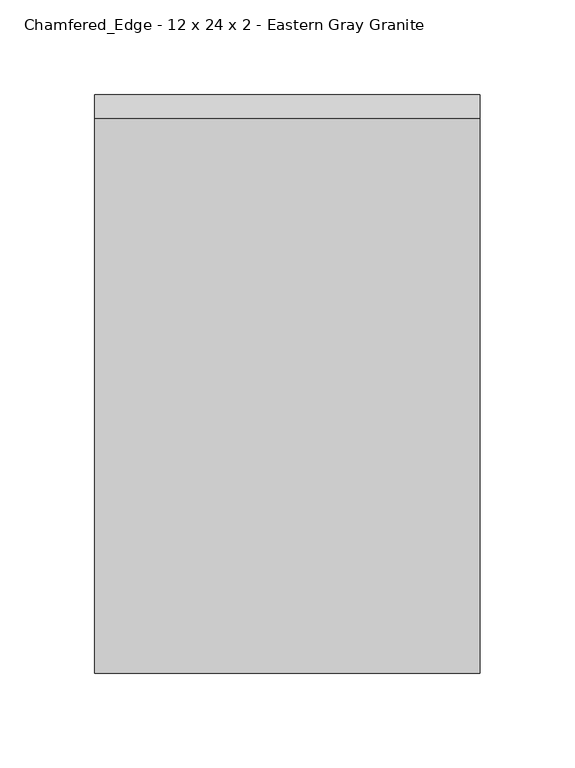
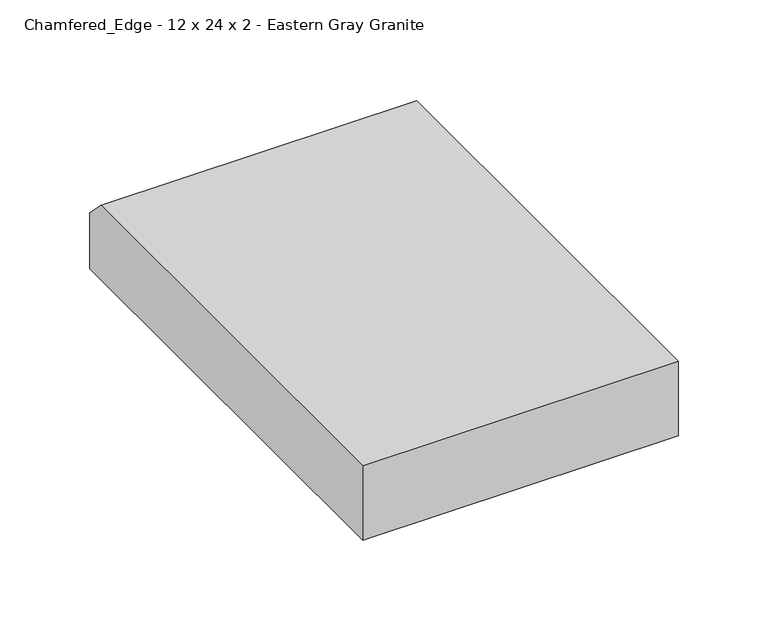
"""IFC4 building model written with IfcOpenShell, lengths in millimetres: proxy geometry, Chamfered_Edge - 12 x 24 x 2 - Eastern Gray Granite."""

from ifc_helpers import new_model, si_unit, frame, origin, place, context, project, spatial, polyline, outline, extrude, source, transform, mapped, element, save


def chamfered_edge_12_x_24_x_2_eastern_gray_granite_2b105257(model_context):
    return source(origin(), model_context, "Body", "SweptSolid", [
        extrude(outline(polyline([(304.8, 0.0), (0.0, 0.0), (0.0, 50.8), (292.1, 50.8), (304.8, 38.1), (304.8, 0.0)])), frame((0.0, 0.0, 0.0), z_axis=(1.0, 0.0, 0.0), x_axis=(0.0, 1.0, 0.0)), (0.0, 0.0, 1.0), 203.2),
    ])


if __name__ == "__main__":
    model = new_model("IFC4")
    model_context = context("Model", 3, world=origin())
    ifc_project = project(units=[si_unit("LENGTHUNIT", "METRE", prefix="MILLI")], contexts=[model_context])
    site = spatial("IfcSite", under=ifc_project)
    building = spatial("IfcBuilding", under=site)
    placement = place(None, origin())
    chamfered_edge_12_x_24_x_2_eastern_gray_granite_shape = chamfered_edge_12_x_24_x_2_eastern_gray_granite_2b105257(model_context)
    element("IfcBuildingElementProxy", 1, Name="Chamfered_Edge - 12 x 24 x 2 - Eastern Gray Granite", ObjectType="Chamfered_Edge - 12 x 24 x 2 - Eastern Gray Granite", at=placement, inside=building, context=model_context, shape_type="MappedRepresentation", body=[
        mapped(chamfered_edge_12_x_24_x_2_eastern_gray_granite_shape, transform((0.0, 0.0, 0.0), x_axis=(1.0, 0.0, 0.0), y_axis=(0.0, 1.0, 0.0), z_axis=(0.0, 0.0, 1.0))),
    ])
    save(model, "model.ifc")
